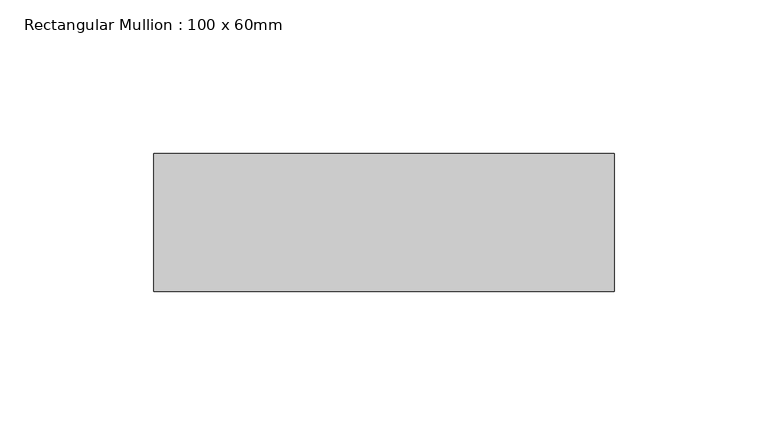
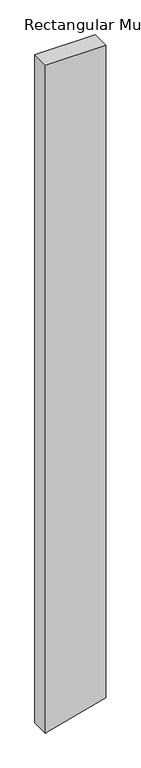
"""IFC4 building model written with IfcOpenShell, lengths in millimetres: member geometry, Rectangular Mullion : 100 x 60mm."""

from ifc_helpers import new_model, si_unit, frame, origin, place, context, project, spatial, polyline, outline, extrude, source, transform, mapped, element, save


def rectangular_mullion_100_x_60mm_62dd029a(model_context):
    return source(origin(), model_context, "Body", "SweptSolid", [
        extrude(outline(polyline([(0.0, 75.0), (0.0, -75.0), (-1756.8295051, -75.0), (-1754.0709042, -64.7047613), (-1716.6371263, 75.0), (0.0, 75.0)])), frame((0.0, -30.0, 0.0), z_axis=(0.0, 1.0, 0.0), x_axis=(0.0, 0.0, 1.0)), (0.0, 0.0, 1.0), 45.0),
    ])


if __name__ == "__main__":
    model = new_model("IFC4")
    model_context = context("Model", 3, world=origin())
    ifc_project = project(units=[si_unit("LENGTHUNIT", "METRE", prefix="MILLI")], contexts=[model_context])
    site = spatial("IfcSite", under=ifc_project)
    building = spatial("IfcBuilding", under=site)
    placement = place(None, origin())
    rectangular_mullion_100_x_60mm_shape = rectangular_mullion_100_x_60mm_62dd029a(model_context)
    element("IfcMember", 1, ObjectType="Rectangular Mullion : 100 x 60mm", at=placement, inside=building, context=model_context, shape_type="MappedRepresentation", body=[
        mapped(rectangular_mullion_100_x_60mm_shape, transform((0.0, 0.0, 0.0), x_axis=(1.0, 0.0, 0.0), y_axis=(0.0, 1.0, 0.0), z_axis=(0.0, 0.0, 1.0))),
    ])
    save(model, "model.ifc")
